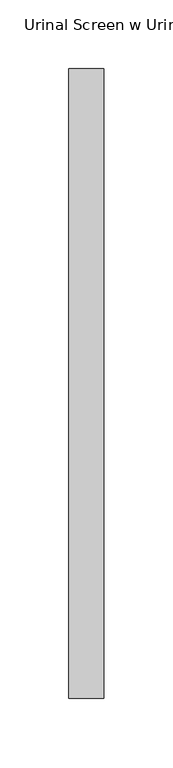
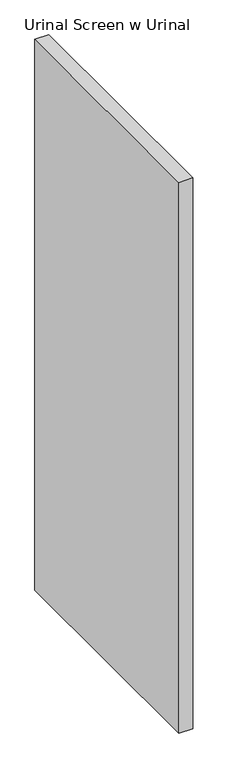
"""IFC4 building model written with IfcOpenShell, lengths in millimetres: proxy geometry, Urinal Screen w Urinal."""

from ifc_helpers import new_model, si_unit, frame, origin, place, context, project, spatial, polyline, outline, extrude, source, transform, mapped, element, save


def urinal_screen_w_urinal_2c41d2ea(model_context):
    return source(origin(), model_context, "Body", "SweptSolid", [
        extrude(outline(polyline([(12.7, 76.2), (-12.7, 76.2), (-12.7, 533.4), (12.7, 533.4), (12.7, 76.2)])), frame((0.0, 0.0, 355.6), z_axis=(0.0, 0.0, 1.0), x_axis=(1.0, 0.0, 0.0)), (0.0, 0.0, 1.0), 1066.8),
    ])


if __name__ == "__main__":
    model = new_model("IFC4")
    model_context = context("Model", 3, world=origin())
    ifc_project = project(units=[si_unit("LENGTHUNIT", "METRE", prefix="MILLI")], contexts=[model_context])
    site = spatial("IfcSite", under=ifc_project)
    building = spatial("IfcBuilding", under=site)
    placement = place(None, origin())
    urinal_screen_w_urinal_shape = urinal_screen_w_urinal_2c41d2ea(model_context)
    element("IfcBuildingElementProxy", 1, Name="Urinal Screen w Urinal", ObjectType="Urinal Screen w Urinal", at=placement, inside=building, context=model_context, shape_type="MappedRepresentation", body=[
        mapped(urinal_screen_w_urinal_shape, transform((0.0, 0.0, 0.0), x_axis=(1.0, 0.0, 0.0), y_axis=(0.0, 1.0, 0.0), z_axis=(0.0, 0.0, 1.0))),
    ])
    save(model, "model.ifc")
